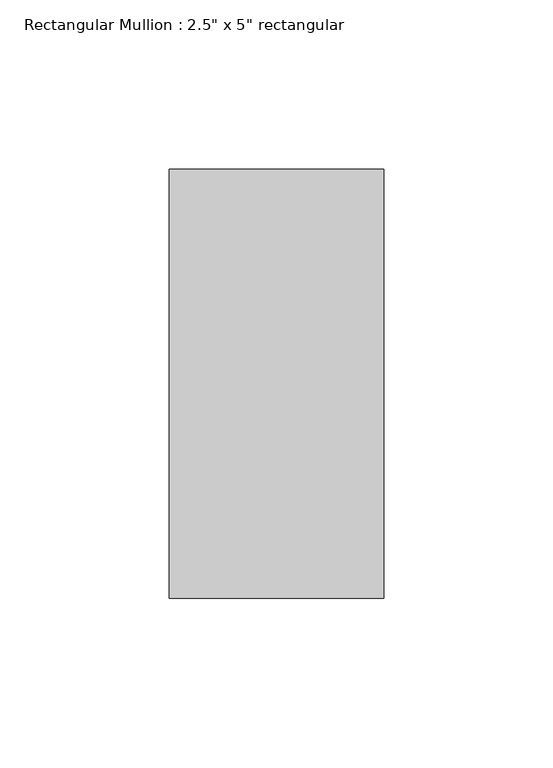
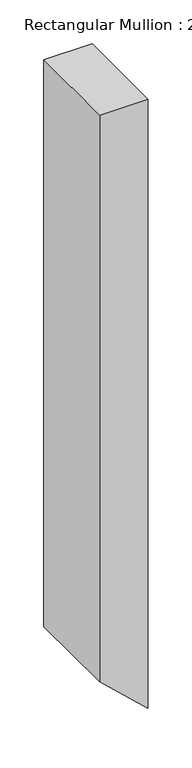
"""IFC4 building model written with IfcOpenShell, lengths in millimetres: member geometry."""

from ifc_helpers import new_model, si_unit, frame, origin, place, context, project, spatial, polyline, outline, extrude, source, transform, mapped, element, save


def member_463bcf7f(model_context):
    return source(origin(), model_context, "Body", "SweptSolid", [
        extrude(outline(polyline([(0.0, 0.0), (0.0, -63.5), (-788.4561847, -63.5), (-847.136801, 0.0), (0.0, 0.0)])), frame((0.0, -63.5, 0.0), z_axis=(0.0, 1.0, 0.0), x_axis=(0.0, 0.0, 1.0)), (0.0, 0.0, 1.0), 127.0),
    ])


if __name__ == "__main__":
    model = new_model("IFC4")
    model_context = context("Model", 3, world=origin())
    ifc_project = project(units=[si_unit("LENGTHUNIT", "METRE", prefix="MILLI")], contexts=[model_context])
    site = spatial("IfcSite", under=ifc_project)
    building = spatial("IfcBuilding", under=site)
    placement = place(None, origin())
    member_shape = member_463bcf7f(model_context)
    element("IfcMember", 1, ObjectType="Rectangular Mullion : 2.5\" x 5\" rectangular", at=placement, inside=building, context=model_context, shape_type="MappedRepresentation", body=[
        mapped(member_shape, transform((0.0, 0.0, 0.0), x_axis=(1.0, 0.0, 0.0), y_axis=(0.0, 1.0, 0.0), z_axis=(0.0, 0.0, 1.0))),
    ])
    save(model, "model.ifc")
